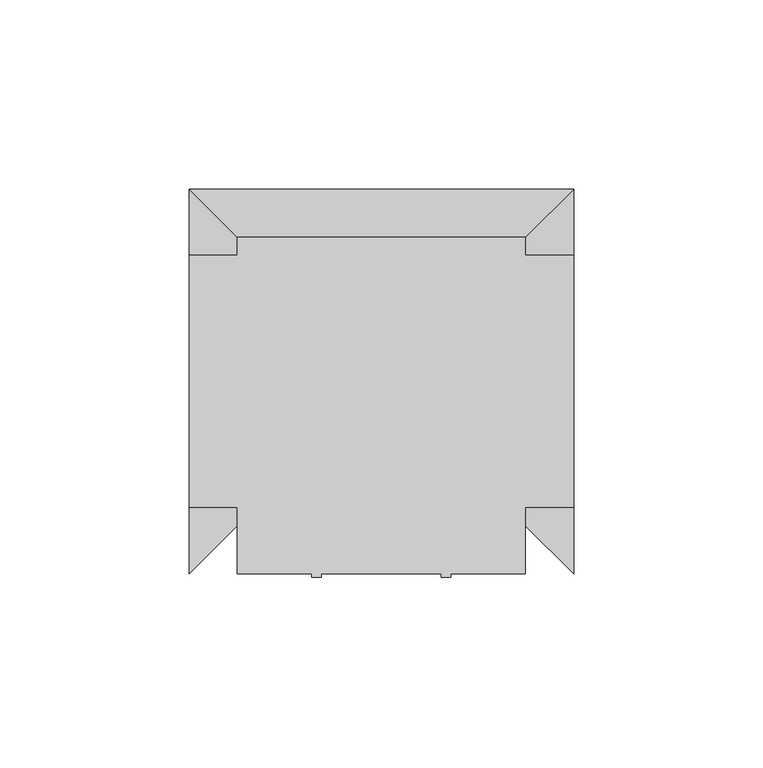
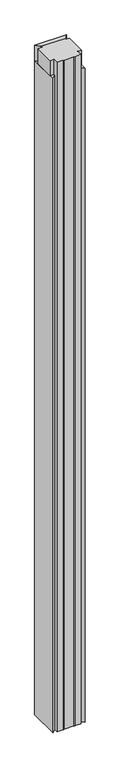
"""IFC4 building model written with IfcOpenShell, lengths in millimetres: furniture geometry."""

from ifc_helpers import new_model, si_unit, origin, place, context, project, spatial, faceted_brep, source, transform, mapped, element, save


def furniture_50617e99(model_context):
    return source(origin(), model_context, "Body", "Brep", [
        faceted_brep([(88.8999964, 88.8999985, 2286.0), (12.6999987, 88.8999985, 2286.0), (12.6999987, 84.1374939, 2286.0), (-1.7e-06, 84.1374939, 2286.0), (-1.7e-06, 17.4624974, 2286.0), (12.6999987, 17.4624974, 2286.0), (12.6999987, -5.3e-06, 2286.0), (32.3850003, -5.3e-06, 2286.0), (32.3850003, -1.0160043, 2286.0), (34.9250002, -1.0160043, 2286.0), (34.9250002, -5.3e-06, 2286.0), (66.6749994, -5.3e-06, 2286.0), (66.6749994, -1.0160043, 2286.0), (69.2150016, -1.0160043, 2286.0), (69.2150016, -5.3e-06, 2286.0), (88.8999964, -5.3e-06, 2286.0), (88.8999964, 17.4624974, 2286.0), (101.6000013, 17.4624974, 2286.0), (101.6000013, 84.1374939, 2286.0), (88.8999964, 84.1374939, 2286.0), (88.8999964, 88.8999985, 25.4000008), (88.8999964, -5.3e-06, 25.4000008), (69.2150016, -5.3e-06, 25.4000008), (69.2150016, -1.0160043, 25.4000008), (66.6749994, -1.0160043, 25.4000008), (66.6749994, -5.3e-06, 25.4000008), (34.9250002, -5.3e-06, 25.4000008), (34.9250002, -1.0160043, 25.4000008), (32.3850003, -1.0160043, 25.4000008), (32.3850003, -5.3e-06, 25.4000008), (12.6999987, -5.3e-06, 25.4000008), (12.6999987, 88.8999985, 25.4000008), (12.6999987, 17.4624974, 2234.4125965), (12.6999987, 84.1374939, 2234.4125965), (88.8999964, 84.1374939, 2234.4125965), (88.8999964, 17.4624974, 2234.4125965), (-1.7e-06, 17.4624974, 2234.4125965), (-1.7e-06, 84.1374939, 2234.4125965), (101.6000013, 84.1374939, 2234.4125965), (101.6000013, 17.4624974, 2234.4125965)], [[[0, 1, 2, 3, 4, 5, 6, 7, 8, 9, 10, 11, 12, 13, 14, 15, 16, 17, 18, 19]], [[20, 21, 22, 23, 24, 25, 26, 27, 28, 29, 30, 31]], [[31, 30, 6, 5, 32, 33, 2, 1]], [[21, 20, 0, 19, 34, 35, 16, 15]], [[7, 6, 30, 29]], [[8, 7, 29, 28]], [[9, 8, 28, 27]], [[10, 9, 27, 26]], [[11, 10, 26, 25]], [[12, 11, 25, 24]], [[13, 12, 24, 23]], [[14, 13, 23, 22]], [[15, 14, 22, 21]], [[1, 0, 20, 31]], [[36, 37, 33, 32]], [[34, 38, 39, 35]], [[5, 4, 36, 32]], [[3, 2, 33, 37]], [[4, 3, 37, 36]], [[17, 16, 35, 39]], [[18, 17, 39, 38]], [[19, 18, 38, 34]]]),
        faceted_brep([(88.8999953, 88.8999928, 2234.4125965), (88.8999953, 12.6999974, 2234.4125965), (101.6000025, -4.2e-06, 2234.4125965), (101.6000025, 101.6, 2234.4125965), (12.6999987, 12.6999964, 2234.4125965), (12.6999987, 88.8999996, 2234.4125965), (-6e-07, 101.5999989, 2234.4125965), (-6e-07, -2.8e-06, 2234.4125965), (101.6000025, 101.6, 25.4000008), (101.6000025, -4.2e-06, 25.4000008), (88.8999953, 12.6999974, 25.4000008), (88.8999953, 88.8999928, 25.4000008), (12.6999998, 88.8999985, 25.4000008), (12.6999987, 12.6999964, 25.4000008), (-6e-07, -2.8e-06, 25.4000008), (-6e-07, 101.5999989, 25.4000008), (88.9000009, 88.8999985, 2286.0), (101.6000025, 101.6, 2286.0), (-1.7e-06, 101.6, 2286.0), (12.6999998, 88.8999985, 2286.0)], [[[0, 1, 2, 3]], [[4, 5, 6, 7]], [[8, 9, 10, 11, 12, 13, 14, 15]], [[3, 2, 9, 8]], [[4, 7, 14, 13]], [[1, 0, 11, 10]], [[2, 1, 10, 9]], [[5, 4, 13, 12]], [[7, 6, 15, 14]], [[16, 17, 18, 19]], [[16, 19, 5, 12, 11, 0]], [[17, 16, 0, 3]], [[18, 17, 3, 8, 15, 6]], [[19, 18, 6, 5]]]),
    ])


if __name__ == "__main__":
    model = new_model("IFC4")
    model_context = context("Model", 3, world=origin())
    ifc_project = project(units=[si_unit("LENGTHUNIT", "METRE", prefix="MILLI")], contexts=[model_context])
    site = spatial("IfcSite", under=ifc_project)
    building = spatial("IfcBuilding", under=site)
    placement = place(None, origin())
    furniture_shape = furniture_50617e99(model_context)
    element("IfcFurniture", 1, at=placement, inside=building, context=model_context, shape_type="MappedRepresentation", body=[
        mapped(furniture_shape, transform((0.0, 0.0, 0.0), x_axis=(1.0, 0.0, 0.0), y_axis=(0.0, 1.0, 0.0), z_axis=(0.0, 0.0, 1.0))),
    ])
    save(model, "model.ifc")
